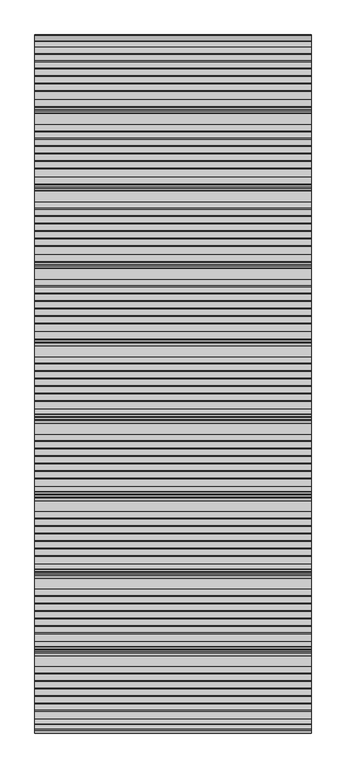
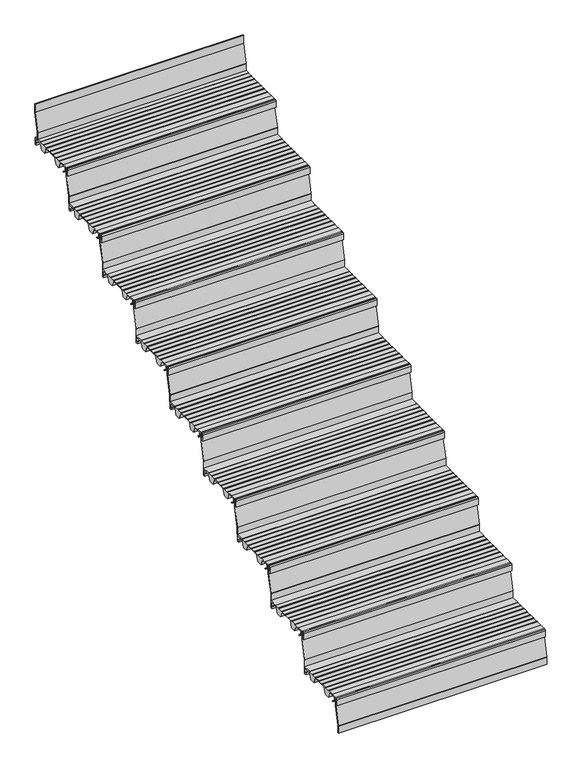
"""IFC4 building model written with IfcOpenShell, lengths in millimetres: stair flight geometry."""

from ifc_helpers import new_model, si_unit, point, frame, frame_2d, origin, place, context, project, spatial, polyline, circle_curve, trimmed, segment, composite_curve, outline, extrude, source, transform, mapped, element, save


def stair_flight_94a337f0(model_context):
    return source(origin(), model_context, "Body", "SweptSolid", [
        extrude(outline(composite_curve([segment(polyline([(-12915.7714581, 4122.0083372), (-12904.0121655, 4112.8608187), (-12900.5625929, 4112.8532161), (-12900.5684453, 4110.197748), (-12904.9259703, 4110.2073517), (-12918.2117943, 4120.5423544), (-12918.8689923, 4140.3419091), (-12935.6889024, 4140.3048394), (-12935.6889024, 4118.9532616), (-12929.7889347, 4118.9662647), (-12929.7889347, 4109.707616), (-12938.9832568, 4109.707616), (-12938.9832568, 4140.5882353)]), True, "CONTINUOUS"), segment(trimmed(circle_curve(frame_2d((-12933.9832568, 4140.5882353)), 5.0), [point((-12938.9832568, 4140.5882353))], [point((-12933.9832568, 4145.5882353))], False, "CARTESIAN"), True, "CONTINUOUS"), segment(polyline([(-12933.9832568, 4145.5882353), (-12899.2747035, 4145.5882353), (-12899.2747035, 4144.2062594), (-12869.2485475, 4144.1400841), (-12869.2485475, 4145.7289212), (-12867.213968, 4145.7289212), (-12867.213968, 4143.7846383), (-12842.3673917, 4143.7846383), (-12842.3673917, 4145.7289212), (-12840.3328122, 4145.7289212), (-12840.3328122, 4143.7846383), (-12815.4862358, 4143.7846383), (-12815.4862358, 4145.7289212), (-12813.4516563, 4145.7289212), (-12813.4516563, 4143.7846383), (-12788.60508, 4143.7846383), (-12788.60508, 4145.7289212), (-12786.5705005, 4145.7289212), (-12786.5705005, 4143.7846383), (-12761.7239241, 4143.7846383), (-12761.7239241, 4145.7289212), (-12759.6893446, 4145.7289212), (-12759.6893446, 4143.7846383), (-12734.852176, 4143.7846383), (-12734.852176, 4145.7289212), (-12732.8175965, 4145.7289212), (-12732.8175965, 4143.7846383), (-12707.9697223, 4143.7846383), (-12707.9697223, 4145.6741584), (-12668.9832568, 4145.5882353), (-12668.9832568, 4109.6873524), (-12678.1775789, 4109.707616), (-12678.1775789, 4118.9662647), (-12672.2776112, 4118.9532616), (-12672.2776112, 4140.3048394), (-12710.4991521, 4140.3890766), (-12721.2246336, 4109.8024883), (-12746.1164136, 4109.8573478), (-12759.1103611, 4141.063068), (-12829.7810763, 4141.2188207), (-12840.7051778, 4110.0658141), (-12865.5969579, 4110.1206736), (-12878.6696565, 4141.5155193), (-12899.2747035, 4141.5609312), (-12899.2747035, 4140.3850934), (-12916.3801784, 4140.3473943), (-12915.7714581, 4122.0083372)]), True, "CONTINUOUS")], self_intersect=False)), frame((-8622.7515248, 0.0, 0.0), z_axis=(1.0, 0.0, 0.0), x_axis=(0.0, 1.0, 0.0)), (0.0, 0.0, 1.0), 1000.0),
        extrude(outline(composite_curve([segment(polyline([(-12927.4779196, 4145.5882353), (-12925.4776692, 4145.5882353), (-12925.4776692, 4104.1312856)]), True, "CONTINUOUS"), segment(trimmed(circle_curve(frame_2d((-12929.3540568, 4104.0469557)), 3.8773048), [point((-12925.4776692, 4104.1312856))], [point((-12925.5840737, 4103.1410199))], False, "CARTESIAN"), True, "CONTINUOUS"), segment(polyline([(-12925.5840737, 4103.1410199), (-12946.9830064, 4014.0909912), (-12946.9830064, 3978.0882353), (-12948.9832568, 3978.0882353), (-12948.9832568, 4013.7817433)]), True, "CONTINUOUS"), segment(trimmed(circle_curve(frame_2d((-12944.394955, 4013.7817433)), 4.5883018), [point((-12948.9832568, 4013.7817433))], [point((-12948.8562551, 4014.8538043))], False, "CARTESIAN"), True, "CONTINUOUS"), segment(polyline([(-12948.8562551, 4014.8538043), (-12927.4779196, 4103.8181193), (-12927.4779196, 4145.5882353)]), True, "CONTINUOUS")], self_intersect=False)), frame((-8622.7515248, 0.0, 0.0), z_axis=(1.0, 0.0, 0.0), x_axis=(0.0, 1.0, 0.0)), (0.0, 0.0, 1.0), 1000.0),
        extrude(outline(composite_curve([segment(polyline([(-12647.4779196, 4311.4117647), (-12645.4776692, 4311.4117647), (-12645.4776692, 4269.954815)]), True, "CONTINUOUS"), segment(trimmed(circle_curve(frame_2d((-12649.3540568, 4269.8704851)), 3.8773048), [point((-12645.4776692, 4269.954815))], [point((-12645.5840737, 4268.9645493))], False, "CARTESIAN"), True, "CONTINUOUS"), segment(polyline([(-12645.5840737, 4268.9645493), (-12666.9830064, 4179.9145206), (-12666.9830064, 4143.9117647), (-12668.9832568, 4143.9117647), (-12668.9832568, 4179.6052727)]), True, "CONTINUOUS"), segment(trimmed(circle_curve(frame_2d((-12664.394955, 4179.6052727)), 4.5883018), [point((-12668.9832568, 4179.6052727))], [point((-12668.8562551, 4180.6773337))], False, "CARTESIAN"), True, "CONTINUOUS"), segment(polyline([(-12668.8562551, 4180.6773337), (-12647.4779196, 4269.6416487), (-12647.4779196, 4311.4117647)]), True, "CONTINUOUS")], self_intersect=False)), frame((-8622.7515248, 0.0, 0.0), z_axis=(1.0, 0.0, 0.0), x_axis=(0.0, 1.0, 0.0)), (0.0, 0.0, 1.0), 1000.0),
        extrude(outline(composite_curve([segment(polyline([(-12635.7714581, 4287.8318666), (-12624.0121655, 4278.6843481), (-12620.5625929, 4278.6767455), (-12620.5684453, 4276.0212774), (-12624.9259703, 4276.0308811), (-12638.2117943, 4286.3658838), (-12638.8689923, 4306.1654385), (-12655.6889024, 4306.1283688), (-12655.6889024, 4284.7767911), (-12649.7889347, 4284.7897941), (-12649.7889347, 4275.5311454), (-12658.9832568, 4275.5311454), (-12658.9832568, 4306.4117647)]), True, "CONTINUOUS"), segment(trimmed(circle_curve(frame_2d((-12653.9832568, 4306.4117647)), 5.0), [point((-12658.9832568, 4306.4117647))], [point((-12653.9832568, 4311.4117647))], False, "CARTESIAN"), True, "CONTINUOUS"), segment(polyline([(-12653.9832568, 4311.4117647), (-12619.2747035, 4311.4117647), (-12619.2747035, 4310.0297889), (-12589.2485475, 4309.9636136), (-12589.2485475, 4311.5524506), (-12587.213968, 4311.5524506), (-12587.213968, 4309.6081677), (-12562.3673917, 4309.6081677), (-12562.3673917, 4311.5524506), (-12560.3328122, 4311.5524506), (-12560.3328122, 4309.6081677), (-12535.4862358, 4309.6081677), (-12535.4862358, 4311.5524506), (-12533.4516563, 4311.5524506), (-12533.4516563, 4309.6081677), (-12508.60508, 4309.6081677), (-12508.60508, 4311.5524506), (-12506.5705005, 4311.5524506), (-12506.5705005, 4309.6081677), (-12481.7239241, 4309.6081677), (-12481.7239241, 4311.5524506), (-12479.6893446, 4311.5524506), (-12479.6893446, 4309.6081677), (-12454.852176, 4309.6081677), (-12454.852176, 4311.5524506), (-12452.8175965, 4311.5524506), (-12452.8175965, 4309.6081677), (-12427.9697223, 4309.6081677), (-12427.9697223, 4311.4976878), (-12388.9832568, 4311.4117647), (-12388.9832568, 4275.5108818), (-12398.1775789, 4275.5311454), (-12398.1775789, 4284.7897941), (-12392.2776112, 4284.7767911), (-12392.2776112, 4306.1283688), (-12430.4991521, 4306.2126061), (-12441.2246336, 4275.6260177), (-12466.1164136, 4275.6808772), (-12479.1103611, 4306.8865974), (-12549.7810763, 4307.0423501), (-12560.7051778, 4275.8893435), (-12585.5969579, 4275.944203), (-12598.6696565, 4307.3390487), (-12619.2747035, 4307.3844606), (-12619.2747035, 4306.2086228), (-12636.3801784, 4306.1709237), (-12635.7714581, 4287.8318666)]), True, "CONTINUOUS")], self_intersect=False)), frame((-8622.7515248, 0.0, 0.0), z_axis=(1.0, 0.0, 0.0), x_axis=(0.0, 1.0, 0.0)), (0.0, 0.0, 1.0), 1000.0),
        extrude(outline(composite_curve([segment(polyline([(-12367.4779196, 4477.2352941), (-12365.4776692, 4477.2352941), (-12365.4776692, 4435.7783444)]), True, "CONTINUOUS"), segment(trimmed(circle_curve(frame_2d((-12369.3540568, 4435.6940145)), 3.8773048), [point((-12365.4776692, 4435.7783444))], [point((-12365.5840737, 4434.7880787))], False, "CARTESIAN"), True, "CONTINUOUS"), segment(polyline([(-12365.5840737, 4434.7880787), (-12386.9830064, 4345.73805), (-12386.9830064, 4309.7352941), (-12388.9832568, 4309.7352941), (-12388.9832568, 4345.4288021)]), True, "CONTINUOUS"), segment(trimmed(circle_curve(frame_2d((-12384.394955, 4345.4288021)), 4.5883018), [point((-12388.9832568, 4345.4288021))], [point((-12388.8562551, 4346.5008631))], False, "CARTESIAN"), True, "CONTINUOUS"), segment(polyline([(-12388.8562551, 4346.5008631), (-12367.4779196, 4435.4651781), (-12367.4779196, 4477.2352941)]), True, "CONTINUOUS")], self_intersect=False)), frame((-8622.7515248, 0.0, 0.0), z_axis=(1.0, 0.0, 0.0), x_axis=(0.0, 1.0, 0.0)), (0.0, 0.0, 1.0), 1000.0),
        extrude(outline(composite_curve([segment(polyline([(-12355.7714581, 4453.655396), (-12344.0121655, 4444.5078775), (-12340.5625929, 4444.5002749), (-12340.5684453, 4441.8448068), (-12344.9259703, 4441.8544105), (-12358.2117943, 4452.1894132), (-12358.8689923, 4471.988968), (-12375.6889024, 4471.9518982), (-12375.6889024, 4450.6003205), (-12369.7889347, 4450.6133235), (-12369.7889347, 4441.3546748), (-12378.9832568, 4441.3546748), (-12378.9832568, 4472.2352941)]), True, "CONTINUOUS"), segment(trimmed(circle_curve(frame_2d((-12373.9832568, 4472.2352941)), 5.0), [point((-12378.9832568, 4472.2352941))], [point((-12373.9832568, 4477.2352941))], False, "CARTESIAN"), True, "CONTINUOUS"), segment(polyline([(-12373.9832568, 4477.2352941), (-12339.2747035, 4477.2352941), (-12339.2747035, 4475.8533183), (-12309.2485475, 4475.787143), (-12309.2485475, 4477.37598), (-12307.213968, 4477.37598), (-12307.213968, 4475.4316971), (-12282.3673917, 4475.4316971), (-12282.3673917, 4477.37598), (-12280.3328122, 4477.37598), (-12280.3328122, 4475.4316971), (-12255.4862358, 4475.4316971), (-12255.4862358, 4477.37598), (-12253.4516563, 4477.37598), (-12253.4516563, 4475.4316971), (-12228.60508, 4475.4316971), (-12228.60508, 4477.37598), (-12226.5705005, 4477.37598), (-12226.5705005, 4475.4316971), (-12201.7239241, 4475.4316971), (-12201.7239241, 4477.37598), (-12199.6893446, 4477.37598), (-12199.6893446, 4475.4316971), (-12174.852176, 4475.4316971), (-12174.852176, 4477.37598), (-12172.8175965, 4477.37598), (-12172.8175965, 4475.4316971), (-12147.9697223, 4475.4316971), (-12147.9697223, 4477.3212172), (-12108.9832568, 4477.2352941), (-12108.9832568, 4441.3344112), (-12118.1775789, 4441.3546748), (-12118.1775789, 4450.6133235), (-12112.2776112, 4450.6003205), (-12112.2776112, 4471.9518982), (-12150.4991521, 4472.0361355), (-12161.2246336, 4441.4495471), (-12186.1164136, 4441.5044067), (-12199.1103611, 4472.7101268), (-12269.7810763, 4472.8658795), (-12280.7051778, 4441.7128729), (-12305.5969579, 4441.7677324), (-12318.6696565, 4473.1625781), (-12339.2747035, 4473.2079901), (-12339.2747035, 4472.0321522), (-12356.3801784, 4471.9944531), (-12355.7714581, 4453.655396)]), True, "CONTINUOUS")], self_intersect=False)), frame((-8622.7515248, 0.0, 0.0), z_axis=(1.0, 0.0, 0.0), x_axis=(0.0, 1.0, 0.0)), (0.0, 0.0, 1.0), 1000.0),
        extrude(outline(composite_curve([segment(polyline([(-12087.4779196, 4643.0588235), (-12085.4776692, 4643.0588235), (-12085.4776692, 4601.6018738)]), True, "CONTINUOUS"), segment(trimmed(circle_curve(frame_2d((-12089.3540568, 4601.5175439)), 3.8773048), [point((-12085.4776692, 4601.6018738))], [point((-12085.5840737, 4600.6116081))], False, "CARTESIAN"), True, "CONTINUOUS"), segment(polyline([(-12085.5840737, 4600.6116081), (-12106.9830064, 4511.5615794), (-12106.9830064, 4475.5588235), (-12108.9832568, 4475.5588235), (-12108.9832568, 4511.2523315)]), True, "CONTINUOUS"), segment(trimmed(circle_curve(frame_2d((-12104.394955, 4511.2523315)), 4.5883018), [point((-12108.9832568, 4511.2523315))], [point((-12108.8562551, 4512.3243925))], False, "CARTESIAN"), True, "CONTINUOUS"), segment(polyline([(-12108.8562551, 4512.3243925), (-12087.4779196, 4601.2887075), (-12087.4779196, 4643.0588235)]), True, "CONTINUOUS")], self_intersect=False)), frame((-8622.7515248, 0.0, 0.0), z_axis=(1.0, 0.0, 0.0), x_axis=(0.0, 1.0, 0.0)), (0.0, 0.0, 1.0), 1000.0),
        extrude(outline(composite_curve([segment(polyline([(-12075.7714581, 4619.4789255), (-12064.0121655, 4610.3314069), (-12060.5625929, 4610.3238043), (-12060.5684453, 4607.6683362), (-12064.9259703, 4607.6779399), (-12078.2117943, 4618.0129426), (-12078.8689923, 4637.8124974), (-12095.6889024, 4637.7754276), (-12095.6889024, 4616.4238499), (-12089.7889347, 4616.436853), (-12089.7889347, 4607.1782042), (-12098.9832568, 4607.1782042), (-12098.9832568, 4638.0588235)]), True, "CONTINUOUS"), segment(trimmed(circle_curve(frame_2d((-12093.9832568, 4638.0588235)), 5.0), [point((-12098.9832568, 4638.0588235))], [point((-12093.9832568, 4643.0588235))], False, "CARTESIAN"), True, "CONTINUOUS"), segment(polyline([(-12093.9832568, 4643.0588235), (-12059.2747035, 4643.0588235), (-12059.2747035, 4641.6768477), (-12029.2485475, 4641.6106724), (-12029.2485475, 4643.1995094), (-12027.213968, 4643.1995094), (-12027.213968, 4641.2552265), (-12002.3673917, 4641.2552265), (-12002.3673917, 4643.1995094), (-12000.3328122, 4643.1995094), (-12000.3328122, 4641.2552265), (-11975.4862358, 4641.2552265), (-11975.4862358, 4643.1995094), (-11973.4516563, 4643.1995094), (-11973.4516563, 4641.2552265), (-11948.60508, 4641.2552265), (-11948.60508, 4643.1995094), (-11946.5705005, 4643.1995094), (-11946.5705005, 4641.2552265), (-11921.7239241, 4641.2552265), (-11921.7239241, 4643.1995094), (-11919.6893446, 4643.1995094), (-11919.6893446, 4641.2552265), (-11894.852176, 4641.2552265), (-11894.852176, 4643.1995094), (-11892.8175965, 4643.1995094), (-11892.8175965, 4641.2552265), (-11867.9697223, 4641.2552265), (-11867.9697223, 4643.1447466), (-11828.9832568, 4643.0588235), (-11828.9832568, 4607.1579406), (-11838.1775789, 4607.1782042), (-11838.1775789, 4616.436853), (-11832.2776112, 4616.4238499), (-11832.2776112, 4637.7754276), (-11870.4991521, 4637.8596649), (-11881.2246336, 4607.2730765), (-11906.1164136, 4607.3279361), (-11919.1103611, 4638.5336562), (-11989.7810763, 4638.6894089), (-12000.7051778, 4607.5364023), (-12025.5969579, 4607.5912618), (-12038.6696565, 4638.9861076), (-12059.2747035, 4639.0315195), (-12059.2747035, 4637.8556816), (-12076.3801784, 4637.8179825), (-12075.7714581, 4619.4789255)]), True, "CONTINUOUS")], self_intersect=False)), frame((-8622.7515248, 0.0, 0.0), z_axis=(1.0, 0.0, 0.0), x_axis=(0.0, 1.0, 0.0)), (0.0, 0.0, 1.0), 1000.0),
        extrude(outline(composite_curve([segment(polyline([(-11807.4779196, 4808.8823529), (-11805.4776692, 4808.8823529), (-11805.4776692, 4767.4254032)]), True, "CONTINUOUS"), segment(trimmed(circle_curve(frame_2d((-11809.3540568, 4767.3410734)), 3.8773048), [point((-11805.4776692, 4767.4254032))], [point((-11805.5840737, 4766.4351375))], False, "CARTESIAN"), True, "CONTINUOUS"), segment(polyline([(-11805.5840737, 4766.4351375), (-11826.9830064, 4677.3851088), (-11826.9830064, 4641.3823529), (-11828.9832568, 4641.3823529), (-11828.9832568, 4677.075861)]), True, "CONTINUOUS"), segment(trimmed(circle_curve(frame_2d((-11824.394955, 4677.075861)), 4.5883018), [point((-11828.9832568, 4677.075861))], [point((-11828.8562551, 4678.1479219))], False, "CARTESIAN"), True, "CONTINUOUS"), segment(polyline([(-11828.8562551, 4678.1479219), (-11807.4779196, 4767.112237), (-11807.4779196, 4808.8823529)]), True, "CONTINUOUS")], self_intersect=False)), frame((-8622.7515248, 0.0, 0.0), z_axis=(1.0, 0.0, 0.0), x_axis=(0.0, 1.0, 0.0)), (0.0, 0.0, 1.0), 1000.0),
        extrude(outline(composite_curve([segment(polyline([(-11795.7714581, 4785.3024549), (-11784.0121655, 4776.1549363), (-11780.5625929, 4776.1473337), (-11780.5684453, 4773.4918657), (-11784.9259703, 4773.5014693), (-11798.2117943, 4783.836472), (-11798.8689923, 4803.6360268), (-11815.6889024, 4803.598957), (-11815.6889024, 4782.2473793), (-11809.7889347, 4782.2603824), (-11809.7889347, 4773.0017336), (-11818.9832568, 4773.0017336), (-11818.9832568, 4803.8823529)]), True, "CONTINUOUS"), segment(trimmed(circle_curve(frame_2d((-11813.9832568, 4803.8823529)), 5.0), [point((-11818.9832568, 4803.8823529))], [point((-11813.9832568, 4808.8823529))], False, "CARTESIAN"), True, "CONTINUOUS"), segment(polyline([(-11813.9832568, 4808.8823529), (-11779.2747035, 4808.8823529), (-11779.2747035, 4807.5003771), (-11749.2485475, 4807.4342018), (-11749.2485475, 4809.0230388), (-11747.213968, 4809.0230388), (-11747.213968, 4807.0787559), (-11722.3673917, 4807.0787559), (-11722.3673917, 4809.0230388), (-11720.3328122, 4809.0230388), (-11720.3328122, 4807.0787559), (-11695.4862358, 4807.0787559), (-11695.4862358, 4809.0230388), (-11693.4516563, 4809.0230388), (-11693.4516563, 4807.0787559), (-11668.60508, 4807.0787559), (-11668.60508, 4809.0230388), (-11666.5705005, 4809.0230388), (-11666.5705005, 4807.0787559), (-11641.7239241, 4807.0787559), (-11641.7239241, 4809.0230388), (-11639.6893446, 4809.0230388), (-11639.6893446, 4807.0787559), (-11614.852176, 4807.0787559), (-11614.852176, 4809.0230388), (-11612.8175965, 4809.0230388), (-11612.8175965, 4807.0787559), (-11587.9697223, 4807.0787559), (-11587.9697223, 4808.9682761), (-11548.9832568, 4808.8823529), (-11548.9832568, 4772.9814701), (-11558.1775789, 4773.0017336), (-11558.1775789, 4782.2603824), (-11552.2776112, 4782.2473793), (-11552.2776112, 4803.598957), (-11590.4991521, 4803.6831943), (-11601.2246336, 4773.096606), (-11626.1164136, 4773.1514655), (-11639.1103611, 4804.3571856), (-11709.7810763, 4804.5129384), (-11720.7051778, 4773.3599317), (-11745.5969579, 4773.4147912), (-11758.6696565, 4804.809637), (-11779.2747035, 4804.8550489), (-11779.2747035, 4803.6792111), (-11796.3801784, 4803.6415119), (-11795.7714581, 4785.3024549)]), True, "CONTINUOUS")], self_intersect=False)), frame((-8622.7515248, 0.0, 0.0), z_axis=(1.0, 0.0, 0.0), x_axis=(0.0, 1.0, 0.0)), (0.0, 0.0, 1.0), 1000.0),
        extrude(outline(composite_curve([segment(polyline([(-11527.4779196, 4974.7058824), (-11525.4776692, 4974.7058824), (-11525.4776692, 4933.2489326)]), True, "CONTINUOUS"), segment(trimmed(circle_curve(frame_2d((-11529.3540568, 4933.1646028)), 3.8773048), [point((-11525.4776692, 4933.2489326))], [point((-11525.5840737, 4932.2586669))], False, "CARTESIAN"), True, "CONTINUOUS"), segment(polyline([(-11525.5840737, 4932.2586669), (-11546.9830064, 4843.2086383), (-11546.9830064, 4807.2058824), (-11548.9832568, 4807.2058824), (-11548.9832568, 4842.8993904)]), True, "CONTINUOUS"), segment(trimmed(circle_curve(frame_2d((-11544.394955, 4842.8993904)), 4.5883018), [point((-11548.9832568, 4842.8993904))], [point((-11548.8562551, 4843.9714513))], False, "CARTESIAN"), True, "CONTINUOUS"), segment(polyline([(-11548.8562551, 4843.9714513), (-11527.4779196, 4932.9357664), (-11527.4779196, 4974.7058824)]), True, "CONTINUOUS")], self_intersect=False)), frame((-8622.7515248, 0.0, 0.0), z_axis=(1.0, 0.0, 0.0), x_axis=(0.0, 1.0, 0.0)), (0.0, 0.0, 1.0), 1000.0),
        extrude(outline(composite_curve([segment(polyline([(-11515.7714581, 4951.1259843), (-11504.0121655, 4941.9784657), (-11500.5625929, 4941.9708632), (-11500.5684453, 4939.3153951), (-11504.9259703, 4939.3249987), (-11518.2117943, 4949.6600014), (-11518.8689923, 4969.4595562), (-11535.6889024, 4969.4224864), (-11535.6889024, 4948.0709087), (-11529.7889347, 4948.0839118), (-11529.7889347, 4938.825263), (-11538.9832568, 4938.825263), (-11538.9832568, 4969.7058824)]), True, "CONTINUOUS"), segment(trimmed(circle_curve(frame_2d((-11533.9832568, 4969.7058824)), 5.0), [point((-11538.9832568, 4969.7058824))], [point((-11533.9832568, 4974.7058824))], False, "CARTESIAN"), True, "CONTINUOUS"), segment(polyline([(-11533.9832568, 4974.7058824), (-11499.2747035, 4974.7058824), (-11499.2747035, 4973.3239065), (-11469.2485475, 4973.2577312), (-11469.2485475, 4974.8465682), (-11467.213968, 4974.8465682), (-11467.213968, 4972.9022853), (-11442.3673917, 4972.9022853), (-11442.3673917, 4974.8465682), (-11440.3328122, 4974.8465682), (-11440.3328122, 4972.9022853), (-11415.4862358, 4972.9022853), (-11415.4862358, 4974.8465682), (-11413.4516563, 4974.8465682), (-11413.4516563, 4972.9022853), (-11388.60508, 4972.9022853), (-11388.60508, 4974.8465682), (-11386.5705005, 4974.8465682), (-11386.5705005, 4972.9022853), (-11361.7239241, 4972.9022853), (-11361.7239241, 4974.8465682), (-11359.6893446, 4974.8465682), (-11359.6893446, 4972.9022853), (-11334.852176, 4972.9022853), (-11334.852176, 4974.8465682), (-11332.8175965, 4974.8465682), (-11332.8175965, 4972.9022853), (-11307.9697223, 4972.9022853), (-11307.9697223, 4974.7918055), (-11268.9832568, 4974.7058824), (-11268.9832568, 4938.8049995), (-11278.1775789, 4938.825263), (-11278.1775789, 4948.0839118), (-11272.2776112, 4948.0709087), (-11272.2776112, 4969.4224864), (-11310.4991521, 4969.5067237), (-11321.2246336, 4938.9201354), (-11346.1164136, 4938.9749949), (-11359.1103611, 4970.180715), (-11429.7810763, 4970.3364678), (-11440.7051778, 4939.1834611), (-11465.5969579, 4939.2383207), (-11478.6696565, 4970.6331664), (-11499.2747035, 4970.6785783), (-11499.2747035, 4969.5027405), (-11516.3801784, 4969.4650413), (-11515.7714581, 4951.1259843)]), True, "CONTINUOUS")], self_intersect=False)), frame((-8622.7515248, 0.0, 0.0), z_axis=(1.0, 0.0, 0.0), x_axis=(0.0, 1.0, 0.0)), (0.0, 0.0, 1.0), 1000.0),
        extrude(outline(composite_curve([segment(polyline([(-11247.4779196, 5140.5294118), (-11245.4776692, 5140.5294118), (-11245.4776692, 5099.072462)]), True, "CONTINUOUS"), segment(trimmed(circle_curve(frame_2d((-11249.3540568, 5098.9881322)), 3.8773048), [point((-11245.4776692, 5099.072462))], [point((-11245.5840737, 5098.0821963))], False, "CARTESIAN"), True, "CONTINUOUS"), segment(polyline([(-11245.5840737, 5098.0821963), (-11266.9830064, 5009.0321677), (-11266.9830064, 4973.0294118), (-11268.9832568, 4973.0294118), (-11268.9832568, 5008.7229198)]), True, "CONTINUOUS"), segment(trimmed(circle_curve(frame_2d((-11264.394955, 5008.7229198)), 4.5883018), [point((-11268.9832568, 5008.7229198))], [point((-11268.8562551, 5009.7949808))], False, "CARTESIAN"), True, "CONTINUOUS"), segment(polyline([(-11268.8562551, 5009.7949808), (-11247.4779196, 5098.7592958), (-11247.4779196, 5140.5294118)]), True, "CONTINUOUS")], self_intersect=False)), frame((-8622.7515248, 0.0, 0.0), z_axis=(1.0, 0.0, 0.0), x_axis=(0.0, 1.0, 0.0)), (0.0, 0.0, 1.0), 1000.0),
        extrude(outline(composite_curve([segment(polyline([(-11235.7714581, 5116.9495137), (-11224.0121655, 5107.8019951), (-11220.5625929, 5107.7943926), (-11220.5684453, 5105.1389245), (-11224.9259703, 5105.1485281), (-11238.2117943, 5115.4835308), (-11238.8689923, 5135.2830856), (-11255.6889024, 5135.2460158), (-11255.6889024, 5113.8944381), (-11249.7889347, 5113.9074412), (-11249.7889347, 5104.6487924), (-11258.9832568, 5104.6487924), (-11258.9832568, 5135.5294118)]), True, "CONTINUOUS"), segment(trimmed(circle_curve(frame_2d((-11253.9832568, 5135.5294118)), 5.0), [point((-11258.9832568, 5135.5294118))], [point((-11253.9832568, 5140.5294118))], False, "CARTESIAN"), True, "CONTINUOUS"), segment(polyline([(-11253.9832568, 5140.5294118), (-11219.2747035, 5140.5294118), (-11219.2747035, 5139.1474359), (-11189.2485475, 5139.0812606), (-11189.2485475, 5140.6700976), (-11187.213968, 5140.6700976), (-11187.213968, 5138.7258147), (-11162.3673917, 5138.7258147), (-11162.3673917, 5140.6700976), (-11160.3328122, 5140.6700976), (-11160.3328122, 5138.7258147), (-11135.4862358, 5138.7258147), (-11135.4862358, 5140.6700976), (-11133.4516563, 5140.6700976), (-11133.4516563, 5138.7258147), (-11108.60508, 5138.7258147), (-11108.60508, 5140.6700976), (-11106.5705005, 5140.6700976), (-11106.5705005, 5138.7258147), (-11081.7239241, 5138.7258147), (-11081.7239241, 5140.6700976), (-11079.6893446, 5140.6700976), (-11079.6893446, 5138.7258147), (-11054.852176, 5138.7258147), (-11054.852176, 5140.6700976), (-11052.8175965, 5140.6700976), (-11052.8175965, 5138.7258147), (-11027.9697223, 5138.7258147), (-11027.9697223, 5140.6153349), (-10988.9832568, 5140.5294118), (-10988.9832568, 5104.6285289), (-10998.1775789, 5104.6487924), (-10998.1775789, 5113.9074412), (-10992.2776112, 5113.8944381), (-10992.2776112, 5135.2460158), (-11030.4991521, 5135.3302531), (-11041.2246336, 5104.7436648), (-11066.1164136, 5104.7985243), (-11079.1103611, 5136.0042445), (-11149.7810763, 5136.1599972), (-11160.7051778, 5105.0069905), (-11185.5969579, 5105.0618501), (-11198.6696565, 5136.4566958), (-11219.2747035, 5136.5021077), (-11219.2747035, 5135.3262699), (-11236.3801784, 5135.2885708), (-11235.7714581, 5116.9495137)]), True, "CONTINUOUS")], self_intersect=False)), frame((-8622.7515248, 0.0, 0.0), z_axis=(1.0, 0.0, 0.0), x_axis=(0.0, 1.0, 0.0)), (0.0, 0.0, 1.0), 1000.0),
        extrude(outline(composite_curve([segment(polyline([(-10967.4779196, 5306.3529412), (-10965.4776692, 5306.3529412), (-10965.4776692, 5264.8959915)]), True, "CONTINUOUS"), segment(trimmed(circle_curve(frame_2d((-10969.3540568, 5264.8116616)), 3.8773048), [point((-10965.4776692, 5264.8959915))], [point((-10965.5840737, 5263.9057257))], False, "CARTESIAN"), True, "CONTINUOUS"), segment(polyline([(-10965.5840737, 5263.9057257), (-10986.9830064, 5174.8556971), (-10986.9830064, 5138.8529412), (-10988.9832568, 5138.8529412), (-10988.9832568, 5174.5464492)]), True, "CONTINUOUS"), segment(trimmed(circle_curve(frame_2d((-10984.394955, 5174.5464492)), 4.5883018), [point((-10988.9832568, 5174.5464492))], [point((-10988.8562551, 5175.6185102))], False, "CARTESIAN"), True, "CONTINUOUS"), segment(polyline([(-10988.8562551, 5175.6185102), (-10967.4779196, 5264.5828252), (-10967.4779196, 5306.3529412)]), True, "CONTINUOUS")], self_intersect=False)), frame((-8622.7515248, 0.0, 0.0), z_axis=(1.0, 0.0, 0.0), x_axis=(0.0, 1.0, 0.0)), (0.0, 0.0, 1.0), 1000.0),
        extrude(outline(composite_curve([segment(polyline([(-10955.7714581, 5282.7730431), (-10944.0121655, 5273.6255246), (-10940.5625929, 5273.617922), (-10940.5684453, 5270.9624539), (-10944.9259703, 5270.9720575), (-10958.2117943, 5281.3070603), (-10958.8689923, 5301.106615), (-10975.6889024, 5301.0695452), (-10975.6889024, 5279.7179675), (-10969.7889347, 5279.7309706), (-10969.7889347, 5270.4723219), (-10978.9832568, 5270.4723219), (-10978.9832568, 5301.3529412)]), True, "CONTINUOUS"), segment(trimmed(circle_curve(frame_2d((-10973.9832568, 5301.3529412)), 5.0), [point((-10978.9832568, 5301.3529412))], [point((-10973.9832568, 5306.3529412))], False, "CARTESIAN"), True, "CONTINUOUS"), segment(polyline([(-10973.9832568, 5306.3529412), (-10939.2747035, 5306.3529412), (-10939.2747035, 5304.9709653), (-10909.2485475, 5304.90479), (-10909.2485475, 5306.4936271), (-10907.213968, 5306.4936271), (-10907.213968, 5304.5493441), (-10882.3673917, 5304.5493441), (-10882.3673917, 5306.4936271), (-10880.3328122, 5306.4936271), (-10880.3328122, 5304.5493441), (-10855.4862358, 5304.5493441), (-10855.4862358, 5306.4936271), (-10853.4516563, 5306.4936271), (-10853.4516563, 5304.5493441), (-10828.60508, 5304.5493441), (-10828.60508, 5306.4936271), (-10826.5705005, 5306.4936271), (-10826.5705005, 5304.5493441), (-10801.7239241, 5304.5493441), (-10801.7239241, 5306.4936271), (-10799.6893446, 5306.4936271), (-10799.6893446, 5304.5493441), (-10774.852176, 5304.5493441), (-10774.852176, 5306.4936271), (-10772.8175965, 5306.4936271), (-10772.8175965, 5304.5493441), (-10747.9697223, 5304.5493441), (-10747.9697223, 5306.4388643), (-10708.9832568, 5306.3529412), (-10708.9832568, 5270.4520583), (-10718.1775789, 5270.4723219), (-10718.1775789, 5279.7309706), (-10712.2776112, 5279.7179675), (-10712.2776112, 5301.0695452), (-10750.4991521, 5301.1537825), (-10761.2246336, 5270.5671942), (-10786.1164136, 5270.6220537), (-10799.1103611, 5301.8277739), (-10869.7810763, 5301.9835266), (-10880.7051778, 5270.8305199), (-10905.5969579, 5270.8853795), (-10918.6696565, 5302.2802252), (-10939.2747035, 5302.3256371), (-10939.2747035, 5301.1497993), (-10956.3801784, 5301.1121002), (-10955.7714581, 5282.7730431)]), True, "CONTINUOUS")], self_intersect=False)), frame((-8622.7515248, 0.0, 0.0), z_axis=(1.0, 0.0, 0.0), x_axis=(0.0, 1.0, 0.0)), (0.0, 0.0, 1.0), 1000.0),
        extrude(outline(composite_curve([segment(polyline([(-10427.4779196, 5638.0), (-10425.4776692, 5638.0), (-10425.4776692, 5596.5430503)]), True, "CONTINUOUS"), segment(trimmed(circle_curve(frame_2d((-10429.3540568, 5596.4587204)), 3.8773048), [point((-10425.4776692, 5596.5430503))], [point((-10425.5840737, 5595.5527846))], False, "CARTESIAN"), True, "CONTINUOUS"), segment(polyline([(-10425.5840737, 5595.5527846), (-10446.9830064, 5506.5027559), (-10446.9830064, 5470.5), (-10448.9832568, 5470.5), (-10448.9832568, 5506.193508)]), True, "CONTINUOUS"), segment(trimmed(circle_curve(frame_2d((-10444.394955, 5506.193508)), 4.5883018), [point((-10448.9832568, 5506.193508))], [point((-10448.8562551, 5507.265569))], False, "CARTESIAN"), True, "CONTINUOUS"), segment(polyline([(-10448.8562551, 5507.265569), (-10427.4779196, 5596.229884), (-10427.4779196, 5638.0)]), True, "CONTINUOUS")], self_intersect=False)), frame((-8622.7515248, 0.0, 0.0), z_axis=(1.0, 0.0, 0.0), x_axis=(0.0, 1.0, 0.0)), (0.0, 0.0, 1.0), 1000.0),
        extrude(outline(composite_curve([segment(polyline([(-10687.4779196, 5472.1764706), (-10685.4776692, 5472.1764706), (-10685.4776692, 5430.7195209)]), True, "CONTINUOUS"), segment(trimmed(circle_curve(frame_2d((-10689.3540568, 5430.635191)), 3.8773048), [point((-10685.4776692, 5430.7195209))], [point((-10685.5840737, 5429.7292551))], False, "CARTESIAN"), True, "CONTINUOUS"), segment(polyline([(-10685.5840737, 5429.7292551), (-10706.9830064, 5340.6792265), (-10706.9830064, 5304.6764706), (-10708.9832568, 5304.6764706), (-10708.9832568, 5340.3699786)]), True, "CONTINUOUS"), segment(trimmed(circle_curve(frame_2d((-10704.394955, 5340.3699786)), 4.5883018), [point((-10708.9832568, 5340.3699786))], [point((-10708.8562551, 5341.4420396))], False, "CARTESIAN"), True, "CONTINUOUS"), segment(polyline([(-10708.8562551, 5341.4420396), (-10687.4779196, 5430.4063546), (-10687.4779196, 5472.1764706)]), True, "CONTINUOUS")], self_intersect=False)), frame((-8622.7515248, 0.0, 0.0), z_axis=(1.0, 0.0, 0.0), x_axis=(0.0, 1.0, 0.0)), (0.0, 0.0, 1.0), 1000.0),
        extrude(outline(composite_curve([segment(polyline([(-10675.7714581, 5448.5965725), (-10664.0121655, 5439.449054), (-10660.5625929, 5439.4414514), (-10660.5684453, 5436.7859833), (-10664.9259703, 5436.7955869), (-10678.2117943, 5447.1305897), (-10678.8689923, 5466.9301444), (-10695.6889024, 5466.8930747), (-10695.6889024, 5445.5414969), (-10689.7889347, 5445.5545), (-10689.7889347, 5436.2958513), (-10698.9832568, 5436.2958513), (-10698.9832568, 5467.1764706)]), True, "CONTINUOUS"), segment(trimmed(circle_curve(frame_2d((-10693.9832568, 5467.1764706)), 5.0), [point((-10698.9832568, 5467.1764706))], [point((-10693.9832568, 5472.1764706))], False, "CARTESIAN"), True, "CONTINUOUS"), segment(polyline([(-10693.9832568, 5472.1764706), (-10659.2747035, 5472.1764706), (-10659.2747035, 5470.7944947), (-10629.2485475, 5470.7283194), (-10629.2485475, 5472.3171565), (-10627.213968, 5472.3171565), (-10627.213968, 5470.3728736), (-10602.3673917, 5470.3728736), (-10602.3673917, 5472.3171565), (-10600.3328122, 5472.3171565), (-10600.3328122, 5470.3728736), (-10575.4862358, 5470.3728736), (-10575.4862358, 5472.3171565), (-10573.4516563, 5472.3171565), (-10573.4516563, 5470.3728736), (-10548.60508, 5470.3728736), (-10548.60508, 5472.3171565), (-10546.5705005, 5472.3171565), (-10546.5705005, 5470.3728736), (-10521.7239241, 5470.3728736), (-10521.7239241, 5472.3171565), (-10519.6893446, 5472.3171565), (-10519.6893446, 5470.3728736), (-10494.852176, 5470.3728736), (-10494.852176, 5472.3171565), (-10492.8175965, 5472.3171565), (-10492.8175965, 5470.3728736), (-10467.9697223, 5470.3728736), (-10467.9697223, 5472.2623937), (-10428.9832568, 5472.1764706), (-10428.9832568, 5436.2755877), (-10438.1775789, 5436.2958513), (-10438.1775789, 5445.5545), (-10432.2776112, 5445.5414969), (-10432.2776112, 5466.8930747), (-10470.4991521, 5466.9773119), (-10481.2246336, 5436.3907236), (-10506.1164136, 5436.4455831), (-10519.1103611, 5467.6513033), (-10589.7810763, 5467.807056), (-10600.7051778, 5436.6540494), (-10625.5969579, 5436.7089089), (-10638.6696565, 5468.1037546), (-10659.2747035, 5468.1491665), (-10659.2747035, 5466.9733287), (-10676.3801784, 5466.9356296), (-10675.7714581, 5448.5965725)]), True, "CONTINUOUS")], self_intersect=False)), frame((-8622.7515248, 0.0, 0.0), z_axis=(1.0, 0.0, 0.0), x_axis=(0.0, 1.0, 0.0)), (0.0, 0.0, 1.0), 1000.0),
    ])


if __name__ == "__main__":
    model = new_model("IFC4")
    model_context = context("Model", 3, world=origin())
    ifc_project = project(units=[si_unit("LENGTHUNIT", "METRE", prefix="MILLI")], contexts=[model_context])
    site = spatial("IfcSite", under=ifc_project)
    building = spatial("IfcBuilding", under=site)
    placement = place(None, origin())
    stair_flight_shape = stair_flight_94a337f0(model_context)
    element("IfcStairFlight", 1, at=placement, inside=building, context=model_context, shape_type="MappedRepresentation", body=[
        mapped(stair_flight_shape, transform((0.0, 0.0, 0.0), x_axis=(1.0, 0.0, 0.0), y_axis=(0.0, 1.0, 0.0), z_axis=(0.0, 0.0, 1.0))),
    ])
    save(model, "model.ifc")
